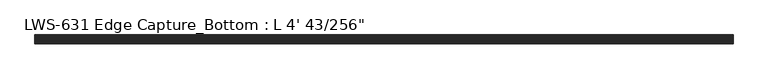
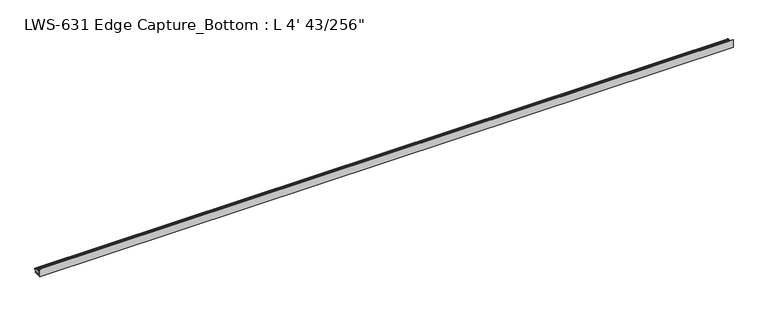
"""IFC4 building model written with IfcOpenShell, lengths in millimetres: proxy geometry."""

from ifc_helpers import new_model, si_unit, frame, origin, place, context, project, spatial, polyline, outline, extrude, source, transform, mapped, element, save


def proxy_d99ec80d(model_context):
    return source(origin(), model_context, "Body", "SweptSolid", [
        extrude(outline(polyline([(-14.2875, 1.5875), (-1.5875, 1.5875), (-1.5875, 0.0), (-15.5575, 0.0), (-15.5575, 13.97), (-14.2875, 13.97), (-14.2875, 7.0485), (-13.4671165, 7.0485), (-12.6853848, 6.7945), (-11.9036532, 7.0485), (-11.1219216, 6.7945), (-10.34019, 7.0485), (-9.5584584, 6.7945), (-8.7767268, 7.0485), (-7.9949951, 6.7945), (-7.2132635, 7.0485), (-6.4315319, 6.7945), (-5.6498003, 7.0485), (-4.8680687, 6.7945), (-4.086337, 7.0485), (-3.3046054, 6.7945), (-2.5228738, 7.0485), (-1.7411422, 6.7945), (-0.9594106, 7.0485), (0.0, 6.7945), (0.0, 4.3815), (-0.9594106, 4.1275), (-1.7411422, 4.3815), (-2.5228738, 4.1275), (-3.3046054, 4.3815), (-4.086337, 4.1275), (-4.8680687, 4.3815), (-5.6498003, 4.1275), (-6.4315319, 4.3815), (-7.2132635, 4.1275), (-7.9949951, 4.3815), (-8.7767268, 4.1275), (-9.5584584, 4.3815), (-10.34019, 4.1275), (-11.1219216, 4.3815), (-11.9036532, 4.1275), (-12.6853848, 4.3815), (-13.4671165, 4.1275), (-14.2875, 4.1275), (-14.2875, 1.5875)])), frame((0.0, 0.0, 0.0), z_axis=(1.0, 0.0, 0.0), x_axis=(0.0, 1.0, 0.0)), (0.0, 0.0, 1.0), 1223.4664062),
    ])


if __name__ == "__main__":
    model = new_model("IFC4")
    model_context = context("Model", 3, world=origin())
    ifc_project = project(units=[si_unit("LENGTHUNIT", "METRE", prefix="MILLI")], contexts=[model_context])
    site = spatial("IfcSite", under=ifc_project)
    building = spatial("IfcBuilding", under=site)
    placement = place(None, origin())
    proxy_shape = proxy_d99ec80d(model_context)
    element("IfcBuildingElementProxy", 1, Name="LWS-631 Edge Capture_Bottom : L 4' 43/256\"", ObjectType="LWS-631 Edge Capture_Bottom : L 4' 43/256\"", at=placement, inside=building, context=model_context, shape_type="MappedRepresentation", body=[
        mapped(proxy_shape, transform((0.0, 0.0, 0.0), x_axis=(1.0, 0.0, 0.0), y_axis=(0.0, 1.0, 0.0), z_axis=(0.0, 0.0, 1.0))),
    ])
    save(model, "model.ifc")
